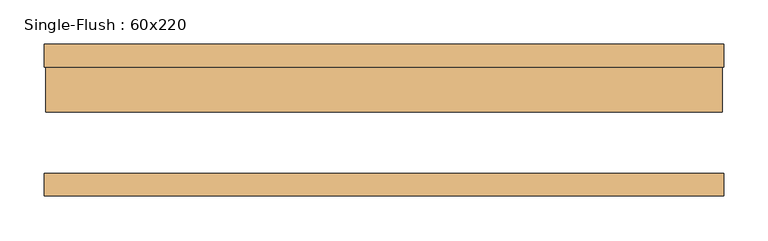
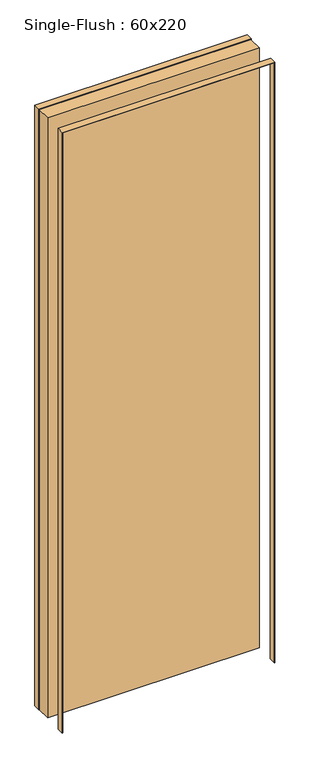
"""IFC4 building model written with IfcOpenShell, lengths in millimetres: door geometry, Single-Flush : 60x220."""

from ifc_helpers import new_model, si_unit, frame, origin, origin_with_axes, place, context, project, spatial, polyline, outline, extrude, source, transform, mapped, element, save


def single_flush_60x220_8b033964(model_context):
    return source(origin(), model_context, "Body", "SweptSolid", [
        extrude(outline(polyline([(2281.5875, -381.5875), (0.0, -381.5875), (0.0, -380.0), (2280.0, -380.0), (2280.0, 380.0), (0.0, 380.0), (0.0, 381.5875), (2281.5875, 381.5875), (2281.5875, -381.5875)])), frame((0.0, 60.0, 0.0), z_axis=(0.0, 1.0, 0.0), x_axis=(0.0, 0.0, 1.0)), (0.0, 0.0, 1.0), 25.4),
        extrude(outline(polyline([(2281.5875, 381.5875), (2281.5875, -381.5875), (0.0, -381.5875), (0.0, -380.0), (2280.0, -380.0), (2280.0, 380.0), (0.0, 380.0), (0.0, 381.5875), (2281.5875, 381.5875)])), frame((0.0, -85.4, 0.0), z_axis=(0.0, 1.0, 0.0), x_axis=(0.0, 0.0, 1.0)), (0.0, 0.0, 1.0), 25.4),
        extrude(outline(polyline([(380.0, 9.2), (-380.0, 9.2), (-380.0, 60.0), (380.0, 60.0), (380.0, 9.2)])), origin_with_axes(), (0.0, 0.0, 1.0), 2280.0),
    ])


if __name__ == "__main__":
    model = new_model("IFC4")
    model_context = context("Model", 3, world=origin())
    ifc_project = project(units=[si_unit("LENGTHUNIT", "METRE", prefix="MILLI")], contexts=[model_context])
    site = spatial("IfcSite", under=ifc_project)
    building = spatial("IfcBuilding", under=site)
    placement = place(None, origin())
    single_flush_60x220_shape = single_flush_60x220_8b033964(model_context)
    element("IfcDoor", 1, ObjectType="Single-Flush : 60x220", at=placement, inside=building, context=model_context, shape_type="MappedRepresentation", body=[
        mapped(single_flush_60x220_shape, transform((0.0, 0.0, 0.0), x_axis=(1.0, 0.0, 0.0), y_axis=(0.0, 1.0, 0.0), z_axis=(0.0, 0.0, 1.0))),
    ])
    save(model, "model.ifc")
